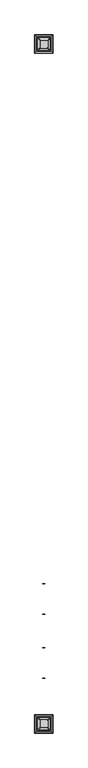
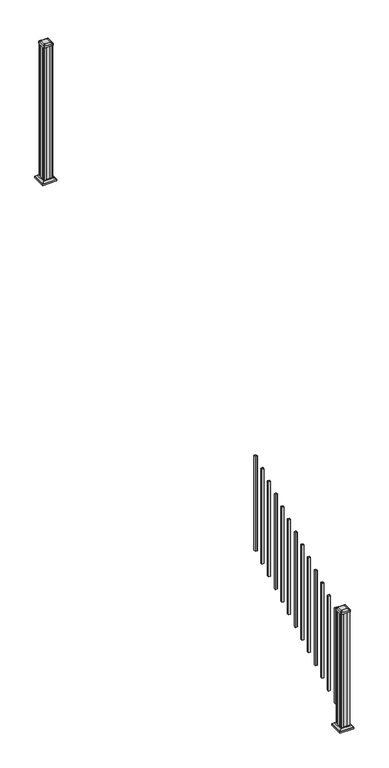
"""IFC4 building model written with IfcOpenShell, lengths in millimetres: railing geometry."""

from ifc_helpers import new_model, si_unit, point, frame, frame_2d, origin, place, context, project, spatial, polyline, circle_curve, trimmed, segment, composite_curve, outline, extrude, faceted_brep, source, transform, mapped, element, save
from ifc_brep_helpers import plane_surface, extruded_surface, advanced_brep


def railing_ef7de60b(model_context):
    return source(origin(), model_context, "Body", "SolidModel", [
        extrude(outline(polyline([(13703.1192659, 3183.9180319), (13684.0692659, 3183.9180319), (13684.0692659, 3202.9680319), (13703.1192659, 3202.9680319), (13703.1192659, 3183.9180319)]), holes=[polyline([(13702.7223909, 3184.3149069), (13702.7223909, 3202.5711569), (13684.4661409, 3202.5711569), (13684.4661409, 3184.3149069), (13702.7223909, 3184.3149069)])]), frame((0.0, 0.0, 1056.7417114), z_axis=(0.0, 0.0, 1.0), x_axis=(1.0, 0.0, 0.0)), (0.0, 0.0, 1.0), 965.2041219),
        extrude(outline(polyline([(13703.1192659, 3072.7930319), (13684.0692659, 3072.7930319), (13684.0692659, 3091.8430319), (13703.1192659, 3091.8430319), (13703.1192659, 3072.7930319)]), holes=[polyline([(13702.7223909, 3073.1899069), (13702.7223909, 3091.4461569), (13684.4661409, 3091.4461569), (13684.4661409, 3073.1899069), (13702.7223909, 3073.1899069)])]), frame((0.0, 0.0, 995.0056003), z_axis=(0.0, 0.0, 1.0), x_axis=(1.0, 0.0, 0.0)), (0.0, 0.0, 1.0), 965.2041219),
        extrude(outline(polyline([(13703.1192659, 2961.6680319), (13684.0692659, 2961.6680319), (13684.0692659, 2980.7180319), (13703.1192659, 2980.7180319), (13703.1192659, 2961.6680319)]), holes=[polyline([(13702.7223909, 2962.0649069), (13702.7223909, 2980.3211569), (13684.4661409, 2980.3211569), (13684.4661409, 2962.0649069), (13702.7223909, 2962.0649069)])]), frame((0.0, 0.0, 933.2694892), z_axis=(0.0, 0.0, 1.0), x_axis=(1.0, 0.0, 0.0)), (0.0, 0.0, 1.0), 965.2041219),
        extrude(outline(polyline([(13703.1192659, 2850.5430319), (13684.0692659, 2850.5430319), (13684.0692659, 2869.5930319), (13703.1192659, 2869.5930319), (13703.1192659, 2850.5430319)]), holes=[polyline([(13702.7223909, 2850.9399069), (13702.7223909, 2869.1961569), (13684.4661409, 2869.1961569), (13684.4661409, 2850.9399069), (13702.7223909, 2850.9399069)])]), frame((0.0, 0.0, 871.5333781), z_axis=(0.0, 0.0, 1.0), x_axis=(1.0, 0.0, 0.0)), (0.0, 0.0, 1.0), 965.2041219),
        extrude(outline(polyline([(13703.1192659, 2739.4180319), (13684.0692659, 2739.4180319), (13684.0692659, 2758.4680319), (13703.1192659, 2758.4680319), (13703.1192659, 2739.4180319)]), holes=[polyline([(13702.7223909, 2739.8149069), (13702.7223909, 2758.0711569), (13684.4661409, 2758.0711569), (13684.4661409, 2739.8149069), (13702.7223909, 2739.8149069)])]), frame((0.0, 0.0, 809.797267), z_axis=(0.0, 0.0, 1.0), x_axis=(1.0, 0.0, 0.0)), (0.0, 0.0, 1.0), 965.2041219),
        extrude(outline(polyline([(13703.1192659, 2628.2930319), (13684.0692659, 2628.2930319), (13684.0692659, 2647.3430319), (13703.1192659, 2647.3430319), (13703.1192659, 2628.2930319)]), holes=[polyline([(13702.7223909, 2628.6899069), (13702.7223909, 2646.9461569), (13684.4661409, 2646.9461569), (13684.4661409, 2628.6899069), (13702.7223909, 2628.6899069)])]), frame((0.0, 0.0, 748.0611558), z_axis=(0.0, 0.0, 1.0), x_axis=(1.0, 0.0, 0.0)), (0.0, 0.0, 1.0), 965.2041219),
        extrude(outline(polyline([(13703.1192659, 2517.1680319), (13684.0692659, 2517.1680319), (13684.0692659, 2536.2180319), (13703.1192659, 2536.2180319), (13703.1192659, 2517.1680319)]), holes=[polyline([(13702.7223909, 2517.5649069), (13702.7223909, 2535.8211569), (13684.4661409, 2535.8211569), (13684.4661409, 2517.5649069), (13702.7223909, 2517.5649069)])]), frame((0.0, 0.0, 686.3250447), z_axis=(0.0, 0.0, 1.0), x_axis=(1.0, 0.0, 0.0)), (0.0, 0.0, 1.0), 965.2041219),
        extrude(outline(polyline([(13703.1192659, 2406.0430319), (13684.0692659, 2406.0430319), (13684.0692659, 2425.0930319), (13703.1192659, 2425.0930319), (13703.1192659, 2406.0430319)]), holes=[polyline([(13702.7223909, 2406.4399069), (13702.7223909, 2424.6961569), (13684.4661409, 2424.6961569), (13684.4661409, 2406.4399069), (13702.7223909, 2406.4399069)])]), frame((0.0, 0.0, 624.5889336), z_axis=(0.0, 0.0, 1.0), x_axis=(1.0, 0.0, 0.0)), (0.0, 0.0, 1.0), 965.2041219),
        extrude(outline(polyline([(13703.1192659, 2294.9180319), (13684.0692659, 2294.9180319), (13684.0692659, 2313.9680319), (13703.1192659, 2313.9680319), (13703.1192659, 2294.9180319)]), holes=[polyline([(13702.7223909, 2295.3149069), (13702.7223909, 2313.5711569), (13684.4661409, 2313.5711569), (13684.4661409, 2295.3149069), (13702.7223909, 2295.3149069)])]), frame((0.0, 0.0, 562.8528225), z_axis=(0.0, 0.0, 1.0), x_axis=(1.0, 0.0, 0.0)), (0.0, 0.0, 1.0), 965.2041219),
        extrude(outline(polyline([(13703.1192659, 2183.7930319), (13684.0692659, 2183.7930319), (13684.0692659, 2202.8430319), (13703.1192659, 2202.8430319), (13703.1192659, 2183.7930319)]), holes=[polyline([(13702.7223909, 2184.1899069), (13702.7223909, 2202.4461569), (13684.4661409, 2202.4461569), (13684.4661409, 2184.1899069), (13702.7223909, 2184.1899069)])]), frame((0.0, 0.0, 501.1167114), z_axis=(0.0, 0.0, 1.0), x_axis=(1.0, 0.0, 0.0)), (0.0, 0.0, 1.0), 965.2041219),
        extrude(outline(polyline([(13703.1192659, 2072.6680319), (13684.0692659, 2072.6680319), (13684.0692659, 2091.7180319), (13703.1192659, 2091.7180319), (13703.1192659, 2072.6680319)]), holes=[polyline([(13702.7223909, 2073.0649069), (13702.7223909, 2091.3211569), (13684.4661409, 2091.3211569), (13684.4661409, 2073.0649069), (13702.7223909, 2073.0649069)])]), frame((0.0, 0.0, 439.3806003), z_axis=(0.0, 0.0, 1.0), x_axis=(1.0, 0.0, 0.0)), (0.0, 0.0, 1.0), 965.2041219),
        extrude(outline(polyline([(13703.1192659, 1961.5430319), (13684.0692659, 1961.5430319), (13684.0692659, 1980.5930319), (13703.1192659, 1980.5930319), (13703.1192659, 1961.5430319)]), holes=[polyline([(13702.7223909, 1961.9399069), (13702.7223909, 1980.1961569), (13684.4661409, 1980.1961569), (13684.4661409, 1961.9399069), (13702.7223909, 1961.9399069)])]), frame((0.0, 0.0, 377.6444892), z_axis=(0.0, 0.0, 1.0), x_axis=(1.0, 0.0, 0.0)), (0.0, 0.0, 1.0), 965.2041219),
        extrude(outline(polyline([(13703.1192659, 1850.4180319), (13684.0692659, 1850.4180319), (13684.0692659, 1869.4680319), (13703.1192659, 1869.4680319), (13703.1192659, 1850.4180319)]), holes=[polyline([(13702.7223909, 1850.8149069), (13702.7223909, 1869.0711569), (13684.4661409, 1869.0711569), (13684.4661409, 1850.8149069), (13702.7223909, 1850.8149069)])]), frame((0.0, 0.0, 315.9083781), z_axis=(0.0, 0.0, 1.0), x_axis=(1.0, 0.0, 0.0)), (0.0, 0.0, 1.0), 965.2041219),
        extrude(outline(polyline([(13653.9067659, 6655.7805319), (13652.3192659, 6657.3680319), (13652.3192659, 6676.9895319), (13653.9067659, 6677.7515319), (13653.9067659, 6716.3595319), (13652.3192659, 6717.1215319), (13652.3192659, 6736.7430319), (13653.9067659, 6738.3305319), (13673.5282659, 6738.3305319), (13674.2902659, 6736.7430319), (13712.8982659, 6736.7430319), (13713.6602659, 6738.3305319), (13733.2817659, 6738.3305319), (13734.8692659, 6736.7430319), (13734.8692659, 6717.1215319), (13733.2817659, 6716.3595319), (13733.2817659, 6677.7515319), (13734.8692659, 6676.9895319), (13734.8692659, 6657.3680319), (13733.2817659, 6655.7805319), (13713.6602659, 6655.7805319), (13712.8982659, 6657.3680319), (13674.2902659, 6657.3680319), (13673.5282659, 6655.7805319), (13653.9067659, 6655.7805319)])), frame((0.0, 0.0, 2709.3333333), z_axis=(0.0, 0.0, 1.0), x_axis=(1.0, 0.0, 0.0)), (0.0, 0.0, 1.0), 1376.0281519),
        faceted_brep([(13746.1802034, 6644.4695944, 2737.9083333), (13746.1802034, 6749.6414694, 2737.9083333), (13641.0083284, 6749.6414694, 2737.9083333), (13641.0083284, 6644.4695944, 2737.9083333), (13760.2196565, 6630.4301413, 2724.5733333), (13626.9688753, 6630.4301413, 2724.5733333), (13626.9688753, 6763.6809225, 2724.5733333), (13760.2196565, 6763.6809225, 2724.5733333)], [[[0, 1, 2, 3]], [[4, 5, 6, 7]], [[4, 0, 3, 5]], [[5, 3, 2, 6]], [[6, 2, 1, 7]], [[7, 1, 0, 4]]]),
        extrude(outline(polyline([(13760.2196565, 6630.4301413), (13626.9688753, 6630.4301413), (13626.9688753, 6763.6809225), (13760.2196565, 6763.6809225), (13760.2196565, 6630.4301413)])), frame((0.0, 0.0, 2709.3333333), z_axis=(0.0, 0.0, 1.0), x_axis=(1.0, 0.0, 0.0)), (0.0, 0.0, 1.0), 15.24),
        advanced_brep(
        [(13667.7973909, 6668.0836569, 4113.9364852), (13719.3911409, 6668.0836569, 4113.9364852), (13722.5661409, 6671.2586569, 4113.9364852), (13722.5661409, 6722.8524069, 4113.9364852), (13719.3911409, 6726.0274069, 4113.9364852), (13667.7973909, 6726.0274069, 4113.9364852), (13664.6223909, 6722.8524069, 4113.9364852), (13664.6223909, 6671.2586569, 4113.9364852), (13651.5255159, 6651.8117819, 4102.6334852), (13648.3505159, 6654.9867819, 4102.6334852), (13648.3505159, 6739.1242819, 4102.6334852), (13651.5255159, 6742.2992819, 4102.6334852), (13735.6630159, 6742.2992819, 4102.6334852), (13738.8380159, 6739.1242819, 4102.6334852), (13738.8380159, 6654.9867819, 4102.6334852), (13735.6630159, 6651.8117819, 4102.6334852)],
        [
            (0, 1),
            (1, 2, circle_curve(frame((13719.3911409, 6671.2586569, 4113.9364852), z_axis=(0.0, 0.0, 1.0), x_axis=(0.0, 1.0, 0.0)), 3.175)),
            (2, 3),
            (3, 4, circle_curve(frame((13719.3911409, 6722.8524069, 4113.9364852), z_axis=(0.0, 0.0, 1.0), x_axis=(0.0, 1.0, 0.0)), 3.175)),
            (4, 5),
            (5, 6, circle_curve(frame((13667.7973909, 6722.8524069, 4113.9364852), z_axis=(0.0, 0.0, 1.0), x_axis=(0.0, 1.0, 0.0)), 3.175)),
            (6, 7),
            (7, 0, circle_curve(frame((13667.7973909, 6671.2586569, 4113.9364852), z_axis=(0.0, 0.0, 1.0), x_axis=(0.0, 1.0, 0.0)), 3.175)),
            (8, 9, circle_curve(frame((13651.5255159, 6654.9867819, 4102.6334852), z_axis=(0.0, 0.0, -1.0), x_axis=(0.0, 1.0, 0.0)), 3.175)),
            (9, 10),
            (10, 11, circle_curve(frame((13651.5255159, 6739.1242819, 4102.6334852), z_axis=(0.0, 0.0, -1.0), x_axis=(0.0, 1.0, 0.0)), 3.175)),
            (11, 12),
            (12, 13, circle_curve(frame((13735.6630159, 6739.1242819, 4102.6334852), z_axis=(0.0, 0.0, -1.0), x_axis=(0.0, 1.0, 0.0)), 3.175)),
            (13, 14),
            (14, 15, circle_curve(frame((13735.6630159, 6654.9867819, 4102.6334852), z_axis=(0.0, 0.0, -1.0), x_axis=(0.0, 1.0, 0.0)), 3.175)),
            (15, 8),
            (8, 0),
            (7, 9),
            (6, 10),
            (5, 11),
            (4, 12),
            (3, 13),
            (2, 14),
            (1, 15),
        ],
        [
            plane_surface(frame((13693.5942659, 6697.0555319, 4113.9364852), z_axis=(0.0, 0.0, 1.0), x_axis=(-1.0, 0.0, 0.0))),
            plane_surface(frame((13693.5942659, 6697.0555319, 4102.6334852), z_axis=(0.0, 0.0, -1.0), x_axis=(-1.0, 0.0, 0.0))),
            extruded_surface(trimmed(circle_curve(frame((13667.7973909, 6671.2586569, 4113.9364852), z_axis=(0.0, 0.0, -1.0), x_axis=(0.0, 1.0, 0.0)), 3.175), [point((13667.7973909, 6668.0836569, 4113.9364852))], [point((13664.6223909, 6671.2586569, 4113.9364852))], True, "CARTESIAN"), (-16.271874999998545, -16.271874999999454, -11.302999999999884), 25.63797263886484),
            plane_surface(frame((13648.3505159, 6697.0555319, 4102.6334852), z_axis=(-0.5705009161540685, 0.0, 0.8212969649690474), x_axis=(0.0, 1.0, 0.0))),
            extruded_surface(trimmed(circle_curve(frame((13667.7973909, 6722.8524069, 4113.9364852), z_axis=(0.0, 0.0, -1.0), x_axis=(0.0, 1.0, 0.0)), 3.175), [point((13664.6223909, 6722.8524069, 4113.9364852))], [point((13667.7973909, 6726.0274069, 4113.9364852))], True, "CARTESIAN"), (-16.271874999998545, 16.271875000000364, -11.302999999999884), 25.63797263886542),
            plane_surface(frame((13693.5942659, 6742.2992819, 4102.6334852), z_axis=(0.0, 0.5705009161540291, 0.8212969649690747), x_axis=(1.0, 0.0, 0.0))),
            extruded_surface(trimmed(circle_curve(frame((13719.3911409, 6722.8524069, 4113.9364852), z_axis=(0.0, 0.0, -1.0), x_axis=(0.0, 1.0, 0.0)), 3.175), [point((13719.3911409, 6726.0274069, 4113.9364852))], [point((13722.5661409, 6722.8524069, 4113.9364852))], True, "CARTESIAN"), (16.271875000000364, 16.271875000000364, -11.302999999999884), 25.63797263886657),
            plane_surface(frame((13738.8380159, 6697.0555319, 4102.6334852), z_axis=(0.5705009161540235, 0.0, 0.8212969649690786), x_axis=(0.0, -1.0, 0.0))),
            extruded_surface(trimmed(circle_curve(frame((13719.3911409, 6671.2586569, 4113.9364852), z_axis=(0.0, 0.0, -1.0), x_axis=(0.0, 1.0, 0.0)), 3.175), [point((13722.5661409, 6671.2586569, 4113.9364852))], [point((13719.3911409, 6668.0836569, 4113.9364852))], True, "CARTESIAN"), (16.271875000000364, -16.271874999999454, -11.302999999999884), 25.637972638865996),
            plane_surface(frame((13693.5942659, 6651.8117819, 4102.6334852), z_axis=(0.0, -0.570500916154034, 0.8212969649690713), x_axis=(-1.0, 0.0, 0.0))),
        ],
        [
            (0, [[1, 2, 3, 4, 5, 6, 7, 8]]),
            (1, [[9, 10, 11, 12, 13, 14, 15, 16]]),
            (2, [[17, -8, 18, -9]]),
            (3, [[-18, -7, 19, -10]]),
            (4, [[-19, -6, 20, -11]]),
            (5, [[-20, -5, 21, -12]]),
            (6, [[-21, -4, 22, -13]]),
            (7, [[-22, -3, 23, -14]]),
            (8, [[-23, -2, 24, -15]]),
            (9, [[-24, -1, -17, -16]]),
        ],
    ),
        extrude(outline(composite_curve([segment(trimmed(circle_curve(frame_2d((13651.5255159, 6654.9867819)), 3.175), [point((13651.5255159, 6651.8117819))], [point((13648.3505159, 6654.9867819))], False, "CARTESIAN"), True, "CONTINUOUS"), segment(polyline([(13648.3505159, 6654.9867819), (13648.3505159, 6739.1242819)]), True, "CONTINUOUS"), segment(trimmed(circle_curve(frame_2d((13651.5255159, 6739.1242819)), 3.175), [point((13648.3505159, 6739.1242819))], [point((13651.5255159, 6742.2992819))], False, "CARTESIAN"), True, "CONTINUOUS"), segment(polyline([(13651.5255159, 6742.2992819), (13735.6630159, 6742.2992819)]), True, "CONTINUOUS"), segment(trimmed(circle_curve(frame_2d((13735.6630159, 6739.1242819)), 3.175), [point((13735.6630159, 6742.2992819))], [point((13738.8380159, 6739.1242819))], False, "CARTESIAN"), True, "CONTINUOUS"), segment(polyline([(13738.8380159, 6739.1242819), (13738.8380159, 6654.9867819)]), True, "CONTINUOUS"), segment(trimmed(circle_curve(frame_2d((13735.6630159, 6654.9867819)), 3.175), [point((13738.8380159, 6654.9867819))], [point((13735.6630159, 6651.8117819))], False, "CARTESIAN"), True, "CONTINUOUS"), segment(polyline([(13735.6630159, 6651.8117819), (13651.5255159, 6651.8117819)]), True, "CONTINUOUS")], self_intersect=False)), frame((0.0, 0.0, 4085.3614852), z_axis=(0.0, 0.0, 1.0), x_axis=(1.0, 0.0, 0.0)), (0.0, 0.0, 1.0), 17.272),
        faceted_brep([(13746.1802034, 1685.1195944, 174.9777778), (13746.1802034, 1790.2914694, 174.9777778), (13641.0083284, 1790.2914694, 174.9777778), (13641.0083284, 1685.1195944, 174.9777778), (13760.2196565, 1671.0801413, 161.6427778), (13626.9688753, 1671.0801413, 161.6427778), (13626.9688753, 1804.3309225, 161.6427778), (13760.2196565, 1804.3309225, 161.6427778)], [[[0, 1, 2, 3]], [[4, 5, 6, 7]], [[4, 0, 3, 5]], [[5, 3, 2, 6]], [[6, 2, 1, 7]], [[7, 1, 0, 4]]]),
        extrude(outline(polyline([(13760.2196565, 1671.0801413), (13626.9688753, 1671.0801413), (13626.9688753, 1804.3309225), (13760.2196565, 1804.3309225), (13760.2196565, 1671.0801413)])), frame((0.0, 0.0, 146.4027778), z_axis=(0.0, 0.0, 1.0), x_axis=(1.0, 0.0, 0.0)), (0.0, 0.0, 1.0), 15.24),
        advanced_brep(
        [(13667.7973909, 1708.7336569, 1358.7420408), (13719.3911409, 1708.7336569, 1358.7420408), (13722.5661409, 1711.9086569, 1358.7420408), (13722.5661409, 1763.5024069, 1358.7420408), (13719.3911409, 1766.6774069, 1358.7420408), (13667.7973909, 1766.6774069, 1358.7420408), (13664.6223909, 1763.5024069, 1358.7420408), (13664.6223909, 1711.9086569, 1358.7420408), (13651.5255159, 1692.4617819, 1347.4390408), (13648.3505159, 1695.6367819, 1347.4390408), (13648.3505159, 1779.7742819, 1347.4390408), (13651.5255159, 1782.9492819, 1347.4390408), (13735.6630159, 1782.9492819, 1347.4390408), (13738.8380159, 1779.7742819, 1347.4390408), (13738.8380159, 1695.6367819, 1347.4390408), (13735.6630159, 1692.4617819, 1347.4390408)],
        [
            (0, 1),
            (1, 2, circle_curve(frame((13719.3911409, 1711.9086569, 1358.7420408), z_axis=(0.0, 0.0, 1.0), x_axis=(0.0, 1.0, 0.0)), 3.175)),
            (2, 3),
            (3, 4, circle_curve(frame((13719.3911409, 1763.5024069, 1358.7420408), z_axis=(0.0, 0.0, 1.0), x_axis=(0.0, 1.0, 0.0)), 3.175)),
            (4, 5),
            (5, 6, circle_curve(frame((13667.7973909, 1763.5024069, 1358.7420408), z_axis=(0.0, 0.0, 1.0), x_axis=(0.0, 1.0, 0.0)), 3.175)),
            (6, 7),
            (7, 0, circle_curve(frame((13667.7973909, 1711.9086569, 1358.7420408), z_axis=(0.0, 0.0, 1.0), x_axis=(0.0, 1.0, 0.0)), 3.175)),
            (8, 9, circle_curve(frame((13651.5255159, 1695.6367819, 1347.4390408), z_axis=(0.0, 0.0, -1.0), x_axis=(0.0, 1.0, 0.0)), 3.175)),
            (9, 10),
            (10, 11, circle_curve(frame((13651.5255159, 1779.7742819, 1347.4390408), z_axis=(0.0, 0.0, -1.0), x_axis=(0.0, 1.0, 0.0)), 3.175)),
            (11, 12),
            (12, 13, circle_curve(frame((13735.6630159, 1779.7742819, 1347.4390408), z_axis=(0.0, 0.0, -1.0), x_axis=(0.0, 1.0, 0.0)), 3.175)),
            (13, 14),
            (14, 15, circle_curve(frame((13735.6630159, 1695.6367819, 1347.4390408), z_axis=(0.0, 0.0, -1.0), x_axis=(0.0, 1.0, 0.0)), 3.175)),
            (15, 8),
            (8, 0),
            (7, 9),
            (6, 10),
            (5, 11),
            (4, 12),
            (3, 13),
            (2, 14),
            (1, 15),
        ],
        [
            plane_surface(frame((13693.5942659, 1737.7055319, 1358.7420408), z_axis=(0.0, 0.0, 1.0), x_axis=(-1.0, 0.0, 0.0))),
            plane_surface(frame((13693.5942659, 1737.7055319, 1347.4390408), z_axis=(0.0, 0.0, -1.0), x_axis=(-1.0, 0.0, 0.0))),
            extruded_surface(trimmed(circle_curve(frame((13667.7973909, 1711.9086569, 1358.7420408), z_axis=(0.0, 0.0, -1.0), x_axis=(0.0, 1.0, 0.0)), 3.175), [point((13667.7973909, 1708.7336569, 1358.7420408))], [point((13664.6223909, 1711.9086569, 1358.7420408))], True, "CARTESIAN"), (-16.271874999998545, -16.271875000000136, -11.303000000000111), 25.637972638865374),
            plane_surface(frame((13648.3505159, 1737.7055319, 1347.4390408), z_axis=(-0.5705009161540778, 0.0, 0.8212969649690408), x_axis=(0.0, 1.0, 0.0))),
            extruded_surface(trimmed(circle_curve(frame((13667.7973909, 1763.5024069, 1358.7420408), z_axis=(0.0, 0.0, -1.0), x_axis=(0.0, 1.0, 0.0)), 3.175), [point((13664.6223909, 1763.5024069, 1358.7420408))], [point((13667.7973909, 1766.6774069, 1358.7420408))], True, "CARTESIAN"), (-16.271874999998545, 16.27187499999991, -11.303000000000111), 25.63797263886523),
            plane_surface(frame((13693.5942659, 1782.9492819, 1347.4390408), z_axis=(0.0, 0.5705009161540291, 0.8212969649690747), x_axis=(1.0, 0.0, 0.0))),
            extruded_surface(trimmed(circle_curve(frame((13719.3911409, 1763.5024069, 1358.7420408), z_axis=(0.0, 0.0, -1.0), x_axis=(0.0, 1.0, 0.0)), 3.175), [point((13719.3911409, 1766.6774069, 1358.7420408))], [point((13722.5661409, 1763.5024069, 1358.7420408))], True, "CARTESIAN"), (16.271875000000364, 16.27187499999991, -11.303000000000111), 25.637972638866383),
            plane_surface(frame((13738.8380159, 1737.7055319, 1347.4390408), z_axis=(0.5705009161540142, 0.0, 0.8212969649690851), x_axis=(0.0, -1.0, 0.0))),
            extruded_surface(trimmed(circle_curve(frame((13719.3911409, 1711.9086569, 1358.7420408), z_axis=(0.0, 0.0, -1.0), x_axis=(0.0, 1.0, 0.0)), 3.175), [point((13722.5661409, 1711.9086569, 1358.7420408))], [point((13719.3911409, 1708.7336569, 1358.7420408))], True, "CARTESIAN"), (16.271875000000364, -16.271875000000136, -11.303000000000111), 25.63797263886653),
            plane_surface(frame((13693.5942659, 1692.4617819, 1347.4390408), z_axis=(0.0, -0.570500916154034, 0.8212969649690713), x_axis=(-1.0, 0.0, 0.0))),
        ],
        [
            (0, [[1, 2, 3, 4, 5, 6, 7, 8]]),
            (1, [[9, 10, 11, 12, 13, 14, 15, 16]]),
            (2, [[17, -8, 18, -9]]),
            (3, [[-18, -7, 19, -10]]),
            (4, [[-19, -6, 20, -11]]),
            (5, [[-20, -5, 21, -12]]),
            (6, [[-21, -4, 22, -13]]),
            (7, [[-22, -3, 23, -14]]),
            (8, [[-23, -2, 24, -15]]),
            (9, [[-24, -1, -17, -16]]),
        ],
    ),
        extrude(outline(composite_curve([segment(trimmed(circle_curve(frame_2d((13651.5255159, 1695.6367819)), 3.175), [point((13651.5255159, 1692.4617819))], [point((13648.3505159, 1695.6367819))], False, "CARTESIAN"), True, "CONTINUOUS"), segment(polyline([(13648.3505159, 1695.6367819), (13648.3505159, 1779.7742819)]), True, "CONTINUOUS"), segment(trimmed(circle_curve(frame_2d((13651.5255159, 1779.7742819)), 3.175), [point((13648.3505159, 1779.7742819))], [point((13651.5255159, 1782.9492819))], False, "CARTESIAN"), True, "CONTINUOUS"), segment(polyline([(13651.5255159, 1782.9492819), (13735.6630159, 1782.9492819)]), True, "CONTINUOUS"), segment(trimmed(circle_curve(frame_2d((13735.6630159, 1779.7742819)), 3.175), [point((13735.6630159, 1782.9492819))], [point((13738.8380159, 1779.7742819))], False, "CARTESIAN"), True, "CONTINUOUS"), segment(polyline([(13738.8380159, 1779.7742819), (13738.8380159, 1695.6367819)]), True, "CONTINUOUS"), segment(trimmed(circle_curve(frame_2d((13735.6630159, 1695.6367819)), 3.175), [point((13738.8380159, 1695.6367819))], [point((13735.6630159, 1692.4617819))], False, "CARTESIAN"), True, "CONTINUOUS"), segment(polyline([(13735.6630159, 1692.4617819), (13651.5255159, 1692.4617819)]), True, "CONTINUOUS")], self_intersect=False)), frame((0.0, 0.0, 1330.1670408), z_axis=(0.0, 0.0, 1.0), x_axis=(1.0, 0.0, 0.0)), (0.0, 0.0, 1.0), 17.272),
        extrude(outline(polyline([(13653.9067659, 1696.4305319), (13652.3192659, 1698.0180319), (13652.3192659, 1717.6395319), (13653.9067659, 1718.4015319), (13653.9067659, 1757.0095319), (13652.3192659, 1757.7715319), (13652.3192659, 1777.3930319), (13653.9067659, 1778.9805319), (13673.5282659, 1778.9805319), (13674.2902659, 1777.3930319), (13712.8982659, 1777.3930319), (13713.6602659, 1778.9805319), (13733.2817659, 1778.9805319), (13734.8692659, 1777.3930319), (13734.8692659, 1757.7715319), (13733.2817659, 1757.0095319), (13733.2817659, 1718.4015319), (13734.8692659, 1717.6395319), (13734.8692659, 1698.0180319), (13733.2817659, 1696.4305319), (13713.6602659, 1696.4305319), (13712.8982659, 1698.0180319), (13674.2902659, 1698.0180319), (13673.5282659, 1696.4305319), (13653.9067659, 1696.4305319)])), frame((0.0, 0.0, 146.4027778), z_axis=(0.0, 0.0, 1.0), x_axis=(1.0, 0.0, 0.0)), (0.0, 0.0, 1.0), 1183.764263),
    ])


if __name__ == "__main__":
    model = new_model("IFC4")
    model_context = context("Model", 3, world=origin())
    ifc_project = project(units=[si_unit("LENGTHUNIT", "METRE", prefix="MILLI")], contexts=[model_context])
    site = spatial("IfcSite", under=ifc_project)
    building = spatial("IfcBuilding", under=site)
    placement = place(None, origin())
    railing_shape = railing_ef7de60b(model_context)
    element("IfcRailing", 1, at=placement, inside=building, context=model_context, shape_type="MappedRepresentation", body=[
        mapped(railing_shape, transform((0.0, 0.0, 0.0), x_axis=(1.0, 0.0, 0.0), y_axis=(0.0, 1.0, 0.0), z_axis=(0.0, 0.0, 1.0))),
    ])
    save(model, "model.ifc")
